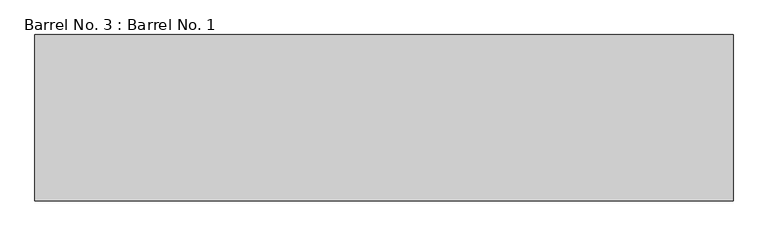
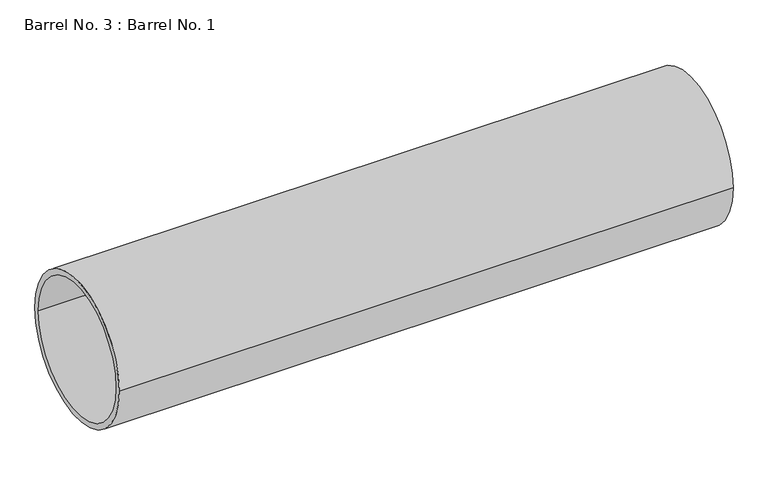
"""IFC4 building model written with IfcOpenShell, lengths in millimetres: proxy geometry, Barrel No. 3 : Barrel No. 1."""

from ifc_helpers import new_model, si_unit, point, frame, frame_2d, origin, place, context, project, spatial, circle_curve, trimmed, segment, composite_curve, outline, extrude, source, transform, mapped, element, save


def barrel_no_3_barrel_no_1_6f68321c(model_context):
    return source(origin(), model_context, "Body", "SweptSolid", [
        extrude(outline(composite_curve([segment(trimmed(circle_curve(frame_2d((-10781.7997812, 317.5)), 317.5), [point((-11099.2997812, 317.5))], [point((-10464.2997812, 317.5))], False, "CARTESIAN"), True, "CONTINUOUS"), segment(trimmed(circle_curve(frame_2d((-10781.7997812, 317.5)), 317.5), [point((-10464.2997812, 317.5))], [point((-11099.2997812, 317.5))], False, "CARTESIAN"), True, "CONTINUOUS")], self_intersect=False), holes=[composite_curve([segment(trimmed(circle_curve(frame_2d((-10781.7997812, 317.5)), 292.1), [point((-11073.8997812, 317.5))], [point((-10489.6997812, 317.5))], True, "CARTESIAN"), True, "CONTINUOUS"), segment(trimmed(circle_curve(frame_2d((-10781.7997812, 317.5)), 292.1), [point((-10489.6997812, 317.5))], [point((-11073.8997812, 317.5))], True, "CARTESIAN"), True, "CONTINUOUS")], self_intersect=False)]), frame((259452.7001106, 0.0, 0.0), z_axis=(1.0, 0.0, 0.0), x_axis=(0.0, 1.0, 0.0)), (0.0, 0.0, 1.0), 2667.0),
    ])


if __name__ == "__main__":
    model = new_model("IFC4")
    model_context = context("Model", 3, world=origin())
    ifc_project = project(units=[si_unit("LENGTHUNIT", "METRE", prefix="MILLI")], contexts=[model_context])
    site = spatial("IfcSite", under=ifc_project)
    building = spatial("IfcBuilding", under=site)
    placement = place(None, origin())
    barrel_no_3_barrel_no_1_shape = barrel_no_3_barrel_no_1_6f68321c(model_context)
    element("IfcBuildingElementProxy", 1, Name="Barrel No. 3 : Barrel No. 1", ObjectType="Barrel No. 3 : Barrel No. 1", at=placement, inside=building, context=model_context, shape_type="MappedRepresentation", body=[
        mapped(barrel_no_3_barrel_no_1_shape, transform((0.0, 0.0, 0.0), x_axis=(1.0, 0.0, 0.0), y_axis=(0.0, 1.0, 0.0), z_axis=(0.0, 0.0, 1.0))),
    ])
    save(model, "model.ifc")
